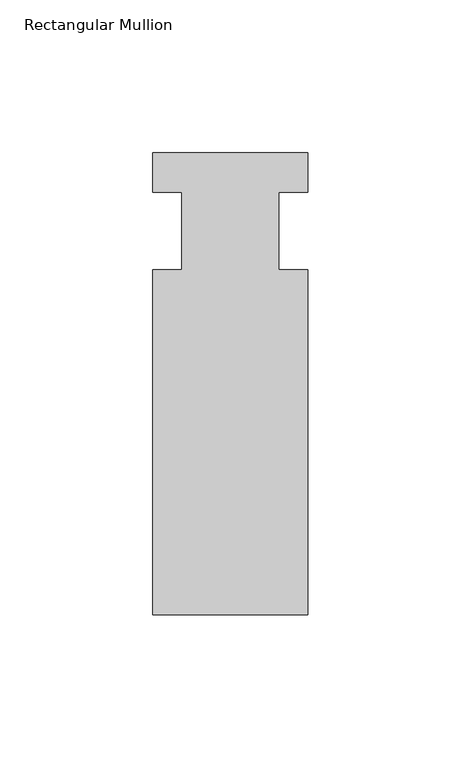
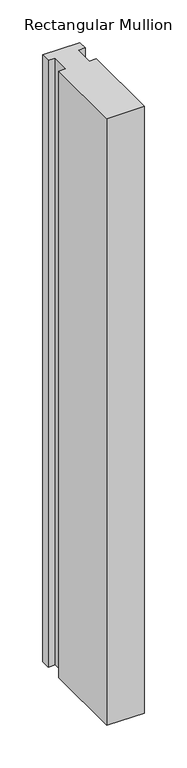
"""IFC4 building model written with IfcOpenShell, lengths in millimetres: member geometry, Rectangular Mullion."""

from ifc_helpers import new_model, si_unit, frame, origin, place, context, project, spatial, polyline, outline, extrude, source, transform, mapped, element, save


def rectangular_mullion_11d22eaf(model_context):
    return source(origin(), model_context, "Body", "SweptSolid", [
        extrude(outline(polyline([(-25.4, 25.5984375), (25.4, 25.5984375), (25.4, 12.7), (15.875, 12.7), (15.875, -12.7), (25.4, -12.7), (25.4, -125.6109375), (-25.4, -125.6109375), (-25.4, -12.7), (-15.875, -12.7), (-15.875, 12.7), (-25.4, 12.7), (-25.4, 25.5984375)])), frame((0.0, 0.0, -870.9014763), z_axis=(0.0, 0.0, 1.0), x_axis=(1.0, 0.0, 0.0)), (0.0, 0.0, 1.0), 870.9014763),
    ])


if __name__ == "__main__":
    model = new_model("IFC4")
    model_context = context("Model", 3, world=origin())
    ifc_project = project(units=[si_unit("LENGTHUNIT", "METRE", prefix="MILLI")], contexts=[model_context])
    site = spatial("IfcSite", under=ifc_project)
    building = spatial("IfcBuilding", under=site)
    placement = place(None, origin())
    rectangular_mullion_shape = rectangular_mullion_11d22eaf(model_context)
    element("IfcMember", 1, ObjectType="Rectangular Mullion", at=placement, inside=building, context=model_context, shape_type="MappedRepresentation", body=[
        mapped(rectangular_mullion_shape, transform((0.0, 0.0, 0.0), x_axis=(1.0, 0.0, 0.0), y_axis=(0.0, 1.0, 0.0), z_axis=(0.0, 0.0, 1.0))),
    ])
    save(model, "model.ifc")
